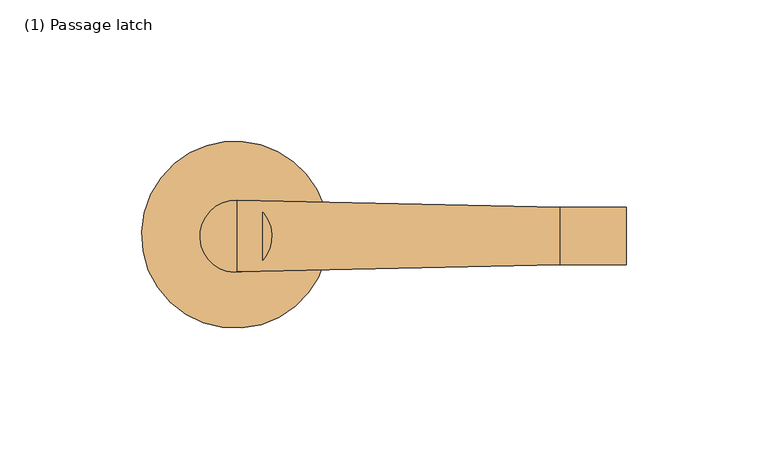
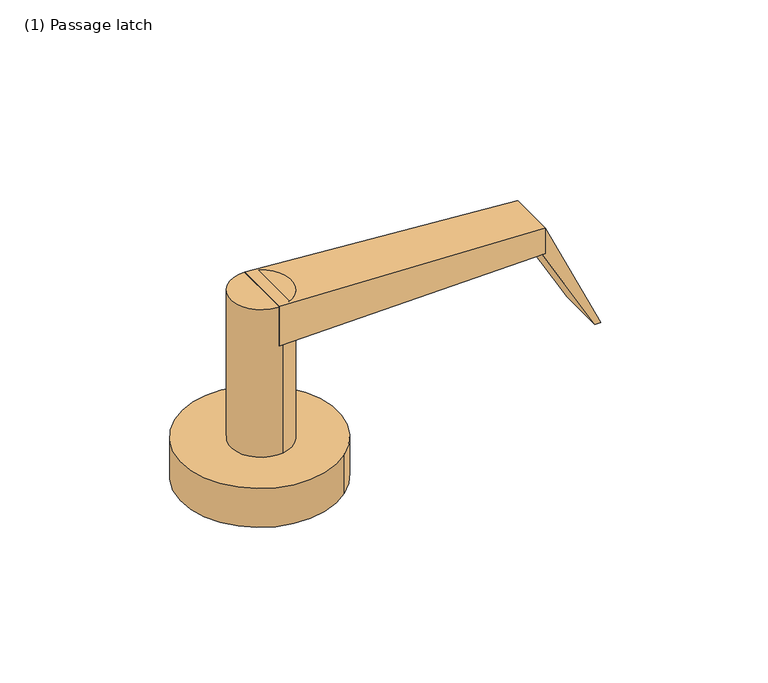
"""IFC4 building model written with IfcOpenShell, lengths in millimetres: door geometry, (1) Passage latch."""

from ifc_helpers import new_model, si_unit, point, frame, frame_2d, origin, origin_with_axes, place, context, project, spatial, polyline, circle_curve, trimmed, segment, composite_curve, outline, extrude, source, transform, mapped, element, save
from ifc_brep_helpers import plane_surface, spline_surface, advanced_brep


def door_1_passage_latch_5276f66d(model_context):
    return source(origin(), model_context, "Body", "SolidModel", [
        advanced_brep(
        [(113.0826159, -9.8661661, 77.089), (113.0826159, -9.8661661, 65.659), (113.0826159, 10.4783486, 65.659), (113.0826159, 10.4783486, 77.089), (-0.79375, -12.3783123, 83.439), (-0.79375, 13.0118705, 83.439), (-0.79375, 13.0089229, 65.659), (-0.79375, -12.378509, 65.659)],
        [
            (0, 1),
            (1, 2),
            (2, 3),
            (3, 0),
            (4, 5),
            (5, 6),
            (6, 7),
            (7, 4),
            (7, 1),
            (0, 4),
            (6, 2),
            (5, 3),
        ],
        [
            plane_surface(frame((113.0826159, 0.3060912, 71.374), z_axis=(1.0, 0.0, 0.0), x_axis=(0.0, -1.0, 0.0))),
            plane_surface(frame((-0.79375, 0.315993, 74.549), z_axis=(-1.0000000000000002, 0.0, 0.0), x_axis=(0.0, -1.1064247386625775e-05, -0.9999999999387913))),
            spline_surface(1, 1, [[(-0.79375, -12.3783123, 83.439), (113.0826159, -9.8661661, 77.089)], [(-0.79375, -12.378509, 65.659), (113.0826159, -9.8661661, 65.659)]], [2, 2], [2, 2], [0.0, 1.0], [0.0, 1.0]),
            plane_surface(frame((-0.79375, 0.315207, 65.659), z_axis=(0.0, 0.0, -1.0), x_axis=(0.0, 1.0, 0.0))),
            spline_surface(1, 1, [[(-0.79375, 13.0089229, 65.659), (113.0826159, 10.4783486, 65.659)], [(-0.79375, 13.0118705, 83.439), (113.0826159, 10.4783486, 77.089)]], [2, 2], [2, 2], [0.0, 1.0], [0.0, 1.0]),
            plane_surface(frame((-0.79375, 0.3167791, 83.439), z_axis=(0.05567573642750613, 0.0, 0.9984489032360419), x_axis=(0.0, -1.0, 0.0))),
        ],
        [
            (0, [[1, 2, 3, 4]]),
            (1, [[5, 6, 7, 8]]),
            (2, [[-8, 9, -1, 10]]),
            (3, [[-7, 11, -2, -9]]),
            (4, [[-6, 12, -3, -11]]),
            (5, [[-5, -10, -4, -12]]),
        ],
    ),
        extrude(outline(composite_curve([segment(trimmed(circle_curve(frame_2d((-1.3064074, 0.1984375)), 12.7), [point((-3.427265, 12.7200973))], [point((0.8144502, -12.3232223))], False, "CARTESIAN"), True, "CONTINUOUS"), segment(trimmed(circle_curve(frame_2d((-1.3064074, 0.1984375)), 12.7), [point((0.8144502, -12.3232223))], [point((-3.427265, 12.7200973))], False, "CARTESIAN"), True, "CONTINUOUS")], self_intersect=False)), frame((0.0, 0.0, 17.399), z_axis=(0.0, 0.0, 1.0), x_axis=(1.0, 0.0, 0.0)), (0.0, 0.0, 1.0), 66.04),
        extrude(outline(composite_curve([segment(trimmed(circle_curve(frame_2d((-1.6178614, 0.7745191)), 33.02), [point((-22.9508261, 25.9781898))], [point((19.7151032, -24.4291516))], False, "CARTESIAN"), True, "CONTINUOUS"), segment(trimmed(circle_curve(frame_2d((-1.6178614, 0.7745191)), 33.02), [point((19.7151032, -24.4291516))], [point((-22.9508261, 25.9781898))], False, "CARTESIAN"), True, "CONTINUOUS")], self_intersect=False)), origin_with_axes(), (0.0, 0.0, 1.0), 17.399),
        extrude(outline(polyline([(77.089, 113.0826159), (65.659, 113.0826159), (65.659, 111.7545147), (26.5862634, 134.0924288), (26.5862634, 136.6324288), (77.089, 113.0826159)])), frame((0.0, -9.8416514, 0.0), z_axis=(0.0, 1.0, 0.0), x_axis=(0.0, 0.0, 1.0)), (0.0, 0.0, 1.0), 20.32),
    ])


if __name__ == "__main__":
    model = new_model("IFC4")
    model_context = context("Model", 3, world=origin())
    ifc_project = project(units=[si_unit("LENGTHUNIT", "METRE", prefix="MILLI")], contexts=[model_context])
    site = spatial("IfcSite", under=ifc_project)
    building = spatial("IfcBuilding", under=site)
    placement = place(None, origin())
    door_1_passage_latch_shape = door_1_passage_latch_5276f66d(model_context)
    element("IfcDoor", 1, ObjectType="(1) Passage latch", at=placement, inside=building, context=model_context, shape_type="MappedRepresentation", body=[
        mapped(door_1_passage_latch_shape, transform((0.0, 0.0, 0.0), x_axis=(1.0, 0.0, 0.0), y_axis=(0.0, 1.0, 0.0), z_axis=(0.0, 0.0, 1.0))),
    ])
    save(model, "model.ifc")
